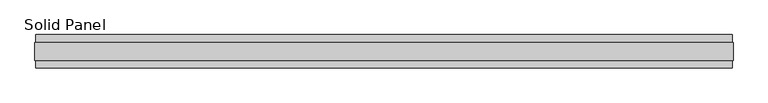
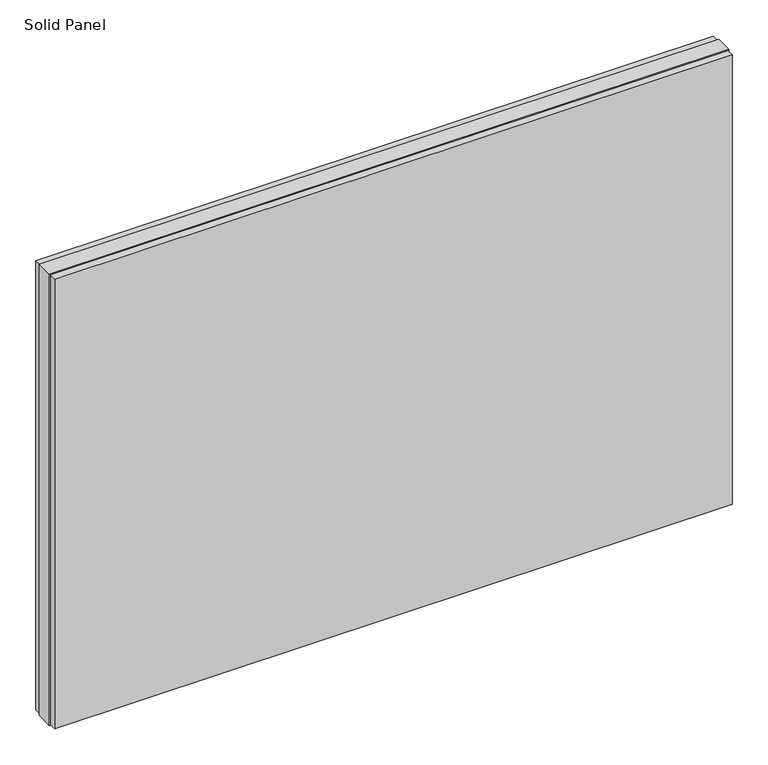
"""IFC4 building model written with IfcOpenShell, lengths in millimetres: plate geometry, Solid Panel."""

import ifcopenshell
import ifcopenshell.guid

model = None  # the IFC model being written
_history = None  # IfcOwnerHistory: only IFC2X3 demands one
_inside = {}  # id of a spatial element -> (the spatial element, [elements in it])
_under = {}  # id of a project, library or spatial element -> (it, [spatial elements below it])
_declared = {}  # id of a project -> (the project, [libraries it declares])
_typed = {}  # id of a type object -> (the type object, [elements of that type])
_made_of = {}  # id of a material, layer set ... -> (it, [elements and type objects made of it])


def new_model(schema):
    """Start an empty IFC model of exactly this schema.

    Asked for "IFC4X3", IfcOpenShell would pick the latest addendum, in which some entities
    have other attributes; the version numbers below select the first issue.
    IFC2X3 requires an IfcOwnerHistory on every rooted entity: one is made here for all.
    """
    global model, _history
    if schema == "IFC4X3":
        model = ifcopenshell.file(schema_version=(4, 3, 0, 0))
    else:
        model = ifcopenshell.file(schema=schema)
    _inside.clear()
    _under.clear()
    _declared.clear()
    _typed.clear()
    _made_of.clear()
    _history = None
    if model.schema == "IFC2X3":
        org = make("IfcOrganization", Name="unknown")
        user = make(
            "IfcPersonAndOrganization",
            ThePerson=make("IfcPerson", FamilyName="unknown"),
            TheOrganization=org,
        )
        app = make(
            "IfcApplication",
            ApplicationDeveloper=org,
            Version="unknown",
            ApplicationFullName="unknown",
            ApplicationIdentifier="unknown",
        )
        _history = make(
            "IfcOwnerHistory",
            OwningUser=user,
            OwningApplication=app,
            ChangeAction="ADDED",
            CreationDate=0,
        )
    return model


def make(cls, **values):
    """One entity of the class cls with the attributes given. An attribute that is None is left unset."""
    return model.create_entity(
        cls, **{name: value for name, value in values.items() if value is not None}
    )


def rooted(cls, **values):
    """An entity with a GlobalId (a new one), such as an element, a storey or a relation."""
    return make(cls, GlobalId=ifcopenshell.guid.new(), OwnerHistory=_history, **values)


def si_unit(unit_type, name, prefix=None):
    """IfcSIUnit, for example si_unit("LENGTHUNIT", "METRE", prefix="MILLI")."""
    return make("IfcSIUnit", UnitType=unit_type, Prefix=prefix, Name=name)


def assignment(units):
    """IfcUnitAssignment: the units of a project."""
    return None if units is None else make("IfcUnitAssignment", Units=units)


def point(xyz):
    """IfcCartesianPoint."""
    return None if xyz is None else make("IfcCartesianPoint", Coordinates=xyz)


def direction(xyz):
    """IfcDirection."""
    return None if xyz is None else make("IfcDirection", DirectionRatios=xyz)


def frame(location, z_axis=None, x_axis=None):
    """IfcAxis2Placement3D, a coordinate frame: its origin and axes. An axis left out is left unset."""
    return make(
        "IfcAxis2Placement3D",
        Location=point(location),
        Axis=direction(z_axis),
        RefDirection=direction(x_axis),
    )


def origin():
    """The frame at (0, 0, 0) with its axes left unset."""
    return frame((0.0, 0.0, 0.0))


def origin_with_axes():
    """The frame at (0, 0, 0) with the z axis (0, 0, 1) and the x axis (1, 0, 0) written out."""
    return frame((0.0, 0.0, 0.0), z_axis=(0.0, 0.0, 1.0), x_axis=(1.0, 0.0, 0.0))


def place(relative_to, where):
    """IfcLocalPlacement: puts the frame where relative to a parent placement (None: the world)."""
    return make(
        "IfcLocalPlacement", PlacementRelTo=relative_to, RelativePlacement=where
    )


def context(
    kind, dimensions, precision=None, world=None, true_north=None, identifier=None
):
    """IfcGeometricRepresentationContext, for example the 3D "Model" context."""
    return make(
        "IfcGeometricRepresentationContext",
        ContextIdentifier=identifier,
        ContextType=kind,
        CoordinateSpaceDimension=dimensions,
        Precision=precision,
        WorldCoordinateSystem=world,
        TrueNorth=true_north,
    )


def project(units=None, contexts=None):
    """IfcProject with its units and contexts."""
    return rooted(
        "IfcProject",
        Name="project",
        RepresentationContexts=contexts,
        UnitsInContext=assignment(units),
    )


def spatial(cls, under=None, at=None, **own):
    """A site, building, storey or space (cls), placed at a placement, below another one or the project."""
    s = rooted(cls, ObjectPlacement=at, **own)
    if under is not None:
        _under.setdefault(under.id(), (under, []))[1].append(s)
    return s


def polyline(points):
    """IfcPolyline through the points."""
    return make("IfcPolyline", Points=[point(p) for p in points])


def outline(outer, holes=None, kind="AREA"):
    """IfcArbitraryClosedProfileDef: a profile drawn as a closed curve; with holes, ...WithVoids."""
    if holes is None:
        return make("IfcArbitraryClosedProfileDef", ProfileType=kind, OuterCurve=outer)
    return make(
        "IfcArbitraryProfileDefWithVoids",
        ProfileType=kind,
        OuterCurve=outer,
        InnerCurves=holes,
    )


def extrude(swept, where, along, depth):
    """IfcExtrudedAreaSolid: the profile swept, set in the frame where, extruded along a direction by depth."""
    return make(
        "IfcExtrudedAreaSolid",
        SweptArea=swept,
        Position=where,
        ExtrudedDirection=direction(along),
        Depth=depth,
    )


def shape(context_of_items, identifier, shape_type, items):
    """IfcShapeRepresentation: the items that make up one representation, for example the "Body"."""
    return make(
        "IfcShapeRepresentation",
        ContextOfItems=context_of_items,
        RepresentationIdentifier=identifier,
        RepresentationType=shape_type,
        Items=items,
    )


def source(mapping_origin, context_of_items, identifier, shape_type, items):
    """IfcRepresentationMap: a shape defined once, which mapped items show again and again."""
    return make(
        "IfcRepresentationMap",
        MappingOrigin=mapping_origin,
        MappedRepresentation=shape(context_of_items, identifier, shape_type, items),
    )


def transform(
    local_origin,
    x_axis=None,
    y_axis=None,
    z_axis=None,
    scale=None,
    scale2=None,
    scale3=None,
    uniform=True,
):
    """IfcCartesianTransformationOperator3D, or its non-uniform kind. x_axis, y_axis, z_axis: its Axis1, 2, 3."""
    if uniform:
        return make(
            "IfcCartesianTransformationOperator3D",
            Axis1=direction(x_axis),
            Axis2=direction(y_axis),
            LocalOrigin=point(local_origin),
            Scale=scale,
            Axis3=direction(z_axis),
        )
    return make(
        "IfcCartesianTransformationOperator3DnonUniform",
        Axis1=direction(x_axis),
        Axis2=direction(y_axis),
        LocalOrigin=point(local_origin),
        Scale=scale,
        Axis3=direction(z_axis),
        Scale2=scale2,
        Scale3=scale3,
    )


def mapped(mapping_source, mapping_target):
    """IfcMappedItem: shows the shape of a source again, moved by a transform."""
    return make(
        "IfcMappedItem", MappingSource=mapping_source, MappingTarget=mapping_target
    )


def made_of(thing, what):
    """Note that an element or type object is made of a material, layer set ...; save() writes the relation."""
    if what is not None:
        _made_of.setdefault(what.id(), (what, []))[1].append(thing)
    return thing


def element(
    cls,
    number,
    at=None,
    inside=None,
    cuts=None,
    type_object=None,
    material=None,
    context=None,
    identifier="Body",
    shape_type=None,
    held_by="IfcProductDefinitionShape",
    body=None,
    shapes=None,
    **own,
):
    """One element of the class cls, such as IfcWall. Its Tag is "e" and its number.

    at: its placement. inside: the storey or other place that contains it. cuts: it is an
    opening in that element (IfcRelVoidsElement). A single representation is given by context,
    identifier, shape_type and body (its items); several are given by shapes. held_by: the class
    of the entity that holds the representations. save() writes the other relations.
    """
    e = rooted(cls, Tag="e%d" % number, ObjectPlacement=at, **own)
    if body is not None:
        shapes = [shape(context, identifier, shape_type, body)]
    if shapes is not None:
        e.Representation = make(held_by, Representations=shapes)
    if inside is not None:
        _inside.setdefault(inside.id(), (inside, []))[1].append(e)
    if cuts is not None:
        rooted(
            "IfcRelVoidsElement", RelatingBuildingElement=cuts, RelatedOpeningElement=e
        )
    if type_object is not None:
        _typed.setdefault(type_object.id(), (type_object, []))[1].append(e)
    return made_of(e, material)


def aggregate(whole, parts):
    """IfcRelAggregates: a whole, such as a stair, and the parts it consists of."""
    return rooted("IfcRelAggregates", RelatingObject=whole, RelatedObjects=parts)


def save(model, path):
    """Write the relations noted so far, then the file.

    IfcRelAggregates (storeys below a building ...), IfcRelContainedInSpatialStructure (elements
    in a storey), IfcRelDefinesByType, IfcRelAssociatesMaterial and IfcRelDeclares: one each for
    every whole, place, type object, material and project.
    """
    for whole, parts in _under.values():
        aggregate(whole, parts)
    for where, things in _inside.values():
        rooted(
            "IfcRelContainedInSpatialStructure",
            RelatedElements=things,
            RelatingStructure=where,
        )
    for kind, things in _typed.values():
        rooted("IfcRelDefinesByType", RelatedObjects=things, RelatingType=kind)
    for what, things in _made_of.values():
        rooted("IfcRelAssociatesMaterial", RelatedObjects=things, RelatingMaterial=what)
    for by, libraries in _declared.values():
        rooted("IfcRelDeclares", RelatingContext=by, RelatedDefinitions=libraries)
    model.write(path)


def solid_panel_43f06150(model_context):
    return source(origin(), model_context, "Body", "SweptSolid", [
        extrude(outline(polyline([(1009.7897, -48.4531867), (-1009.7897, -48.4531867), (-1009.7897, -25.9961), (1009.7897, -25.9961), (1009.7897, -48.4531867)])), frame((0.0, 0.0, 3.0099), z_axis=(0.0, 0.0, 1.0), x_axis=(1.0, 0.0, 0.0)), (0.0, 0.0, 1.0), 1416.3802),
        extrude(outline(polyline([(1009.7897, 25.9977), (-1009.7897, 25.9977), (-1009.7897, 48.4547867), (1009.7897, 48.4547867), (1009.7897, 25.9977)])), frame((0.0, 0.0, 3.0099), z_axis=(0.0, 0.0, 1.0), x_axis=(1.0, 0.0, 0.0)), (0.0, 0.0, 1.0), 1416.3802),
        extrude(outline(polyline([(1012.7869, -25.9961), (-1012.7869, -25.9961), (-1012.7869, 25.9977), (1012.7869, 25.9977), (1012.7869, -25.9961)])), origin_with_axes(), (0.0, 0.0, 1.0), 1422.4),
    ])


if __name__ == "__main__":
    model = new_model("IFC4")
    model_context = context("Model", 3, world=origin())
    ifc_project = project(units=[si_unit("LENGTHUNIT", "METRE", prefix="MILLI")], contexts=[model_context])
    site = spatial("IfcSite", under=ifc_project)
    building = spatial("IfcBuilding", under=site)
    placement = place(None, origin())
    solid_panel_shape = solid_panel_43f06150(model_context)
    element("IfcPlate", 1, ObjectType="Solid Panel", at=placement, inside=building, context=model_context, shape_type="MappedRepresentation", body=[
        mapped(solid_panel_shape, transform((0.0, 0.0, 0.0), x_axis=(1.0, 0.0, 0.0), y_axis=(0.0, 1.0, 0.0), z_axis=(0.0, 0.0, 1.0))),
    ])
    save(model, "model.ifc")
